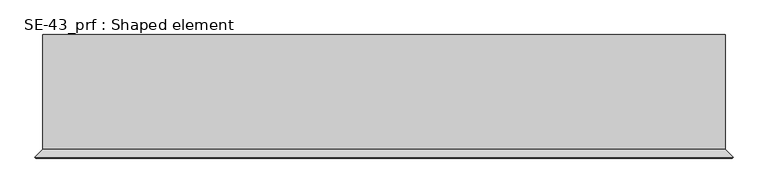
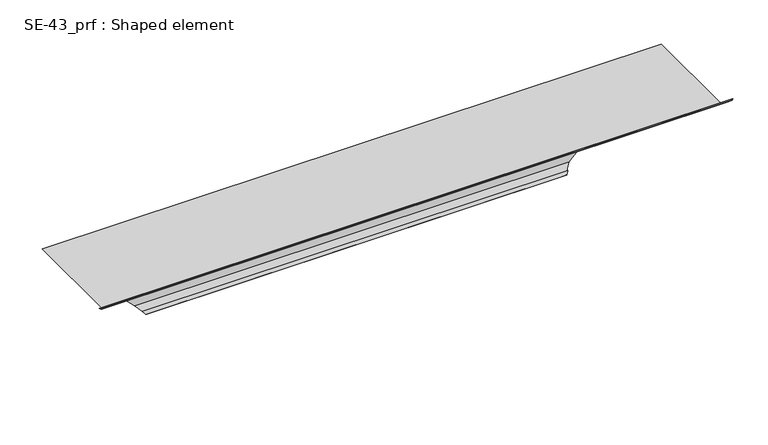
"""IFC4 building model written with IfcOpenShell, lengths in millimetres: proxy geometry, SE-43_prf : Shaped element."""

from ifc_helpers import new_model, si_unit, origin, place, context, project, spatial, faceted_brep, source, transform, mapped, element, save


def se_43_prf_shaped_element_26ea2c55(model_context):
    return source(origin(), model_context, "Body", "Brep", [
        faceted_brep([(1800.0, 3.0, 0.0), (1800.0, 4.0, 0.0), (1803.0, 4.0, 3.0), (1803.0, -300.0, 3.0), (1824.2132034, -321.2132034, 24.2132034), (1822.0918831, -323.3345238, 22.0918831), (1815.0208153, -316.263456, 15.0208153), (1815.7279221, -315.5563492, 15.7279221), (1822.0918831, -321.9203102, 22.0918831), (1822.7989899, -321.2132034, 22.7989899), (1802.0, -300.4142136, 2.0), (1802.0, 3.0, 2.0), (1533.4142136, 3.0, -266.5857864), (1513.2010101, -17.2132034, -286.7989899), (1513.9081169, -17.9203102, -286.0918831), (1520.2720779, -11.5563492, -279.7279221), (1520.9791847, -12.263456, -279.0208153), (1513.9081169, -19.3345238, -286.0918831), (1511.7867966, -17.2132034, -288.2132034), (1533.0, 4.0, -267.0), (0.0, 4.0, 0.0), (0.0, 3.0, 0.0), (-2.0, 3.0, 2.0), (-2.0, -300.4142136, 2.0), (-22.7989899, -321.2132034, 22.7989899), (-22.0918831, -321.9203102, 22.0918831), (-15.7279221, -315.5563492, 15.7279221), (-15.0208153, -316.263456, 15.0208153), (-22.0918831, -323.3345238, 22.0918831), (-24.2132034, -321.2132034, 24.2132034), (-3.0, -300.0, 3.0), (-3.0, 4.0, 3.0), (267.0, 4.0, -267.0), (288.2132034, -17.2132034, -288.2132034), (286.0918831, -19.3345238, -286.0918831), (279.0208153, -12.263456, -279.0208153), (279.7279221, -11.5563492, -279.7279221), (286.0918831, -17.9203102, -286.0918831), (286.7989899, -17.2132034, -286.7989899), (266.5857864, 3.0, -266.5857864)], [[[0, 1, 2, 3, 4, 5, 6, 7, 8, 9, 10, 11]], [[1, 0, 12, 13, 14, 15, 16, 17, 18, 19]], [[20, 21, 22, 23, 24, 25, 26, 27, 28, 29, 30, 31]], [[21, 20, 32, 33, 34, 35, 36, 37, 38, 39]], [[4, 3, 30, 29]], [[3, 2, 31, 30]], [[11, 10, 23, 22]], [[10, 9, 24, 23]], [[9, 8, 25, 24]], [[8, 7, 26, 25]], [[7, 6, 27, 26]], [[6, 5, 28, 27]], [[5, 4, 29, 28]], [[2, 1, 19, 32, 20, 31]], [[19, 18, 33, 32]], [[18, 17, 34, 33]], [[17, 16, 35, 34]], [[16, 15, 36, 35]], [[15, 14, 37, 36]], [[14, 13, 38, 37]], [[13, 12, 39, 38]], [[0, 11, 22, 21, 39, 12]]]),
    ])


if __name__ == "__main__":
    model = new_model("IFC4")
    model_context = context("Model", 3, world=origin())
    ifc_project = project(units=[si_unit("LENGTHUNIT", "METRE", prefix="MILLI")], contexts=[model_context])
    site = spatial("IfcSite", under=ifc_project)
    building = spatial("IfcBuilding", under=site)
    placement = place(None, origin())
    se_43_prf_shaped_element_shape = se_43_prf_shaped_element_26ea2c55(model_context)
    element("IfcBuildingElementProxy", 1, Name="SE-43_prf : Shaped element", ObjectType="SE-43_prf : Shaped element", at=placement, inside=building, context=model_context, shape_type="MappedRepresentation", body=[
        mapped(se_43_prf_shaped_element_shape, transform((0.0, 0.0, 0.0), x_axis=(1.0, 0.0, 0.0), y_axis=(0.0, 1.0, 0.0), z_axis=(0.0, 0.0, 1.0))),
    ])
    save(model, "model.ifc")
